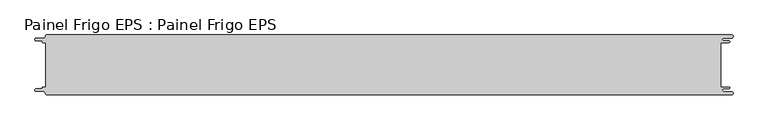
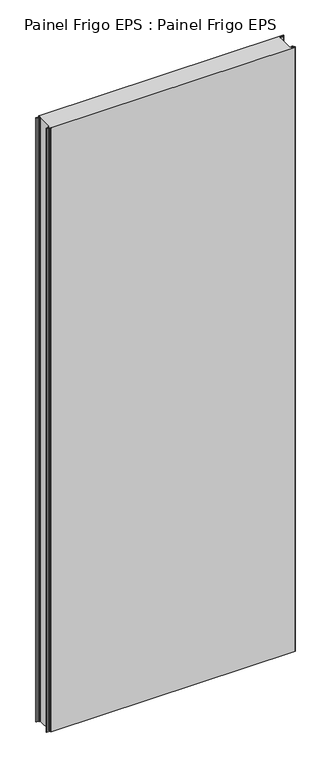
"""IFC4 building model written with IfcOpenShell, lengths in millimetres: proxy geometry, Painel Frigo EPS : Painel Frigo EPS."""

from ifc_helpers import new_model, si_unit, frame, origin, place, context, project, spatial, polyline, circle_curve, source, transform, mapped, element, save
from ifc_brep_helpers import plane_surface, cylinder_surface, revolved_surface, advanced_brep


def painel_frigo_eps_painel_frigo_eps_4f7a4c4a(model_context):
    return source(origin(), model_context, "Body", "AdvancedBrep", [
        advanced_brep(
        [(-579.5093748, 37.3, 3000.0), (-574.2218362, 37.3, 3000.0), (-574.2218362, -37.2999995, 3000.0), (-579.5093748, -37.2999995, 3000.0), (-580.1093753, -37.9, 3000.0), (-580.1093753, -38.7085185, 3000.0), (-581.5093753, -40.1085185, 3000.0), (-590.4875, -40.1085185, 3000.0), (-590.4875, -44.5085185, 3000.0), (-578.471875, -44.5085185, 3000.0), (-574.921875, -48.0585185, 3000.0), (-572.971875, -50.0, 3000.0), (572.284375, -50.0, 3000.0), (572.284375, -44.725, 3000.0), (559.378125, -44.725, 3000.0), (559.378125, -39.875, 3000.0), (568.0406253, -39.875, 3000.0), (568.0406253, -37.3, 3000.0), (554.1906253, -37.3, 3000.0), (554.1906253, 37.3, 3000.0), (568.0406253, 37.3, 3000.0), (568.0406253, 39.875, 3000.0), (559.378125, 39.875, 3000.0), (559.378125, 44.725, 3000.0), (572.284375, 44.725, 3000.0), (572.284375, 50.0, 3000.0), (-572.971875, 50.0, 3000.0), (-574.921875, 48.05, 3000.0), (-578.471875, 44.5085185, 3000.0), (-590.4875, 44.5085185, 3000.0), (-590.4875, 40.1085187, 3000.0), (-581.5093751, 40.1085187, 3000.0), (-580.1093748, 38.7085184, 3000.0), (-580.1093748, 37.9, 3000.0), (-579.5093748, 37.3, 0.0), (-580.1093748, 37.9, 0.0), (-580.1093748, 38.7085184, 0.0), (-581.5093751, 40.1085187, 0.0), (-590.4875, 40.1085187, 0.0), (-590.4875, 44.5085185, 0.0), (-578.471875, 44.5085185, 0.0), (-574.921875, 48.0585185, 0.0), (-572.971875, 50.0, 0.0), (572.284375, 50.0, 0.0), (572.284375, 44.725, 0.0), (559.378125, 44.725, 0.0), (559.378125, 39.875, 0.0), (568.0406253, 39.875, 0.0), (568.0406253, 37.3, 0.0), (554.1906253, 37.3, 0.0), (554.1906253, -37.3, 0.0), (568.0406253, -37.3, 0.0), (568.0406253, -39.875, 0.0), (559.378125, -39.875, 0.0), (559.378125, -44.725, 0.0), (572.284375, -44.725, 0.0), (572.284375, -50.0, 0.0), (-572.971875, -50.0, 0.0), (-574.921875, -48.05, 0.0), (-578.471875, -44.5085185, 0.0), (-590.4875, -44.5085185, 0.0), (-590.4875, -40.1085185, 0.0), (-581.5093753, -40.1085185, 0.0), (-580.1093753, -38.7085185, 0.0), (-580.1093753, -37.9, 0.0), (-579.5093748, -37.2999995, 0.0), (-574.2218362, -37.2999995, 0.0), (-574.2218362, 37.3, 0.0)],
        [
            (0, 1),
            (1, 2),
            (2, 3),
            (3, 4, circle_curve(frame((-579.5093748, -37.9, 3000.0), z_axis=(0.0, 0.0, 1.0), x_axis=(1.0, 0.0, 0.0)), 0.6000005)),
            (4, 5),
            (5, 6, circle_curve(frame((-581.5093753, -38.7085185, 3000.0), z_axis=(0.0, 0.0, -1.0), x_axis=(1.0, 0.0, 0.0)), 1.4)),
            (6, 7),
            (7, 8, circle_curve(frame((-590.4875, -42.3085185, 3000.0), z_axis=(0.0, 0.0, 1.0), x_axis=(1.0, 0.0, 0.0)), 2.2)),
            (8, 9),
            (9, 10, circle_curve(frame((-578.471875, -48.0585185, 3000.0), z_axis=(0.0, 0.0, -1.0), x_axis=(1.0, 0.0, 0.0)), 3.55)),
            (10, 11, circle_curve(frame((-572.971875, -48.05, 3000.0), z_axis=(0.0, 0.0, 1.0), x_axis=(1.0, 0.0, 0.0)), 1.95)),
            (11, 12),
            (12, 13, circle_curve(frame((572.284375, -47.3625, 3000.0), z_axis=(0.0, 0.0, 1.0), x_axis=(1.0, 0.0, 0.0)), 2.6375)),
            (13, 14),
            (14, 15, circle_curve(frame((559.378125, -42.3, 3000.0), z_axis=(0.0, 0.0, -1.0), x_axis=(1.0, 0.0, 0.0)), 2.425)),
            (15, 16),
            (16, 17, circle_curve(frame((568.0406253, -38.5875, 3000.0), z_axis=(0.0, 0.0, 1.0), x_axis=(1.0, 0.0, 0.0)), 1.2875)),
            (17, 18),
            (18, 19),
            (19, 20),
            (20, 21, circle_curve(frame((568.0406253, 38.5875, 3000.0), z_axis=(0.0, 0.0, 1.0), x_axis=(1.0, 0.0, 0.0)), 1.2875)),
            (21, 22),
            (22, 23, circle_curve(frame((559.378125, 42.3, 3000.0), z_axis=(0.0, 0.0, -1.0), x_axis=(1.0, 0.0, 0.0)), 2.425)),
            (23, 24),
            (24, 25, circle_curve(frame((572.284375, 47.3625, 3000.0), z_axis=(0.0, 0.0, 1.0), x_axis=(1.0, 0.0, 0.0)), 2.6375)),
            (25, 26),
            (26, 27, circle_curve(frame((-572.971875, 48.05, 3000.0), z_axis=(0.0, 0.0, 1.0), x_axis=(1.0, 0.0, 0.0)), 1.95)),
            (27, 28, circle_curve(frame((-578.471875, 48.0585185, 3000.0), z_axis=(0.0, 0.0, -1.0), x_axis=(1.0, 0.0, 0.0)), 3.55)),
            (28, 29),
            (29, 30, circle_curve(frame((-590.4875, 42.3085186, 3000.0), z_axis=(0.0, 0.0, 1.0), x_axis=(1.0, 0.0, 0.0)), 2.1999999)),
            (30, 31),
            (31, 32, circle_curve(frame((-581.5093751, 38.7085184, 3000.0), z_axis=(0.0, 0.0, -1.0), x_axis=(1.0, 0.0, 0.0)), 1.4000003)),
            (32, 33),
            (33, 0, circle_curve(frame((-579.5093748, 37.9, 3000.0), z_axis=(0.0, 0.0, 1.0), x_axis=(1.0, 0.0, 0.0)), 0.6)),
            (34, 35, circle_curve(frame((-579.5093748, 37.9, 0.0), z_axis=(0.0, 0.0, -1.0), x_axis=(1.0, 0.0, 0.0)), 0.6)),
            (35, 36),
            (36, 37, circle_curve(frame((-581.5093751, 38.7085184, 0.0), z_axis=(0.0, 0.0, 1.0), x_axis=(1.0, 0.0, 0.0)), 1.4000003)),
            (37, 38),
            (38, 39, circle_curve(frame((-590.4875, 42.3085186, 0.0), z_axis=(0.0, 0.0, -1.0), x_axis=(1.0, 0.0, 0.0)), 2.1999999)),
            (39, 40),
            (40, 41, circle_curve(frame((-578.471875, 48.0585185, 0.0), z_axis=(0.0, 0.0, 1.0), x_axis=(1.0, 0.0, 0.0)), 3.55)),
            (41, 42, circle_curve(frame((-572.971875, 48.05, 0.0), z_axis=(0.0, 0.0, -1.0), x_axis=(1.0, 0.0, 0.0)), 1.95)),
            (42, 43),
            (43, 44, circle_curve(frame((572.284375, 47.3625, 0.0), z_axis=(0.0, 0.0, -1.0), x_axis=(1.0, 0.0, 0.0)), 2.6375)),
            (44, 45),
            (45, 46, circle_curve(frame((559.378125, 42.3, 0.0), z_axis=(0.0, 0.0, 1.0), x_axis=(1.0, 0.0, 0.0)), 2.425)),
            (46, 47),
            (47, 48, circle_curve(frame((568.0406253, 38.5875, 0.0), z_axis=(0.0, 0.0, -1.0), x_axis=(1.0, 0.0, 0.0)), 1.2875)),
            (48, 49),
            (49, 50),
            (50, 51),
            (51, 52, circle_curve(frame((568.0406253, -38.5875, 0.0), z_axis=(0.0, 0.0, -1.0), x_axis=(1.0, 0.0, 0.0)), 1.2875)),
            (52, 53),
            (53, 54, circle_curve(frame((559.378125, -42.3, 0.0), z_axis=(0.0, 0.0, 1.0), x_axis=(1.0, 0.0, 0.0)), 2.425)),
            (54, 55),
            (55, 56, circle_curve(frame((572.284375, -47.3625, 0.0), z_axis=(0.0, 0.0, -1.0), x_axis=(1.0, 0.0, 0.0)), 2.6375)),
            (56, 57),
            (57, 58, circle_curve(frame((-572.971875, -48.05, 0.0), z_axis=(0.0, 0.0, -1.0), x_axis=(1.0, 0.0, 0.0)), 1.95)),
            (58, 59, circle_curve(frame((-578.471875, -48.0585185, 0.0), z_axis=(0.0, 0.0, 1.0), x_axis=(1.0, 0.0, 0.0)), 3.55)),
            (59, 60),
            (60, 61, circle_curve(frame((-590.4875, -42.3085185, 0.0), z_axis=(0.0, 0.0, -1.0), x_axis=(1.0, 0.0, 0.0)), 2.2)),
            (61, 62),
            (62, 63, circle_curve(frame((-581.5093753, -38.7085185, 0.0), z_axis=(0.0, 0.0, 1.0), x_axis=(1.0, 0.0, 0.0)), 1.4)),
            (63, 64),
            (64, 65, circle_curve(frame((-579.5093748, -37.9, 0.0), z_axis=(0.0, 0.0, -1.0), x_axis=(1.0, 0.0, 0.0)), 0.6000005)),
            (65, 66),
            (66, 67),
            (67, 34),
            (11, 57),
            (56, 12),
            (25, 43),
            (42, 26),
            (0, 34),
            (67, 1),
            (66, 2),
            (65, 3),
            (64, 4),
            (63, 5),
            (62, 6),
            (61, 7),
            (60, 8),
            (59, 9),
            (58, 10),
            (18, 50),
            (49, 19),
            (48, 20),
            (47, 21),
            (46, 22),
            (45, 23),
            (44, 24),
            (41, 27),
            (40, 28),
            (39, 29),
            (38, 30),
            (37, 31),
            (36, 32),
            (35, 33),
            (55, 13),
            (54, 14),
            (53, 15),
            (52, 16),
            (51, 17),
        ],
        [
            plane_surface(frame((-574.2218362, 37.3, 3000.0), z_axis=(0.0, 0.0, 1.0), x_axis=(1.0, 0.0, 0.0))),
            plane_surface(frame((-574.2218362, 37.3, 0.0), z_axis=(0.0, 0.0, -1.0), x_axis=(-1.0, 0.0, 0.0))),
            plane_surface(frame((-572.971875, -50.0, 3000.0), z_axis=(0.0, -1.0, 0.0), x_axis=(0.0, 0.0, -1.0))),
            plane_surface(frame((572.284375, 50.0, 3000.0), z_axis=(0.0, 1.0, 0.0), x_axis=(0.0, 0.0, -1.0))),
            plane_surface(frame((-579.5093748, 37.3, 3000.0), z_axis=(0.0, -1.0, 0.0), x_axis=(0.0, 0.0, -1.0))),
            plane_surface(frame((-574.2218362, 37.3, 3000.0), z_axis=(-1.0, 0.0, 0.0), x_axis=(0.0, 0.0, -1.0))),
            plane_surface(frame((-574.2218362, -37.2999995, 3000.0), z_axis=(0.0, 1.0, 0.0), x_axis=(0.0, 0.0, -1.0))),
            cylinder_surface(frame((-579.5093748, -37.9, 0.0), z_axis=(0.0, 0.0, 1.0), x_axis=(1.0, 0.0, 0.0)), 0.6000005),
            plane_surface(frame((-580.1093753, -37.9, 3000.0), z_axis=(-1.0, 1.7578608662328141e-12, 0.0), x_axis=(0.0, 0.0, -1.0))),
            revolved_surface(polyline([(-580.1093753, -38.7085185, 0.0), (-580.1093753, -38.7085185, 3000.0)]), (-581.5093753, -38.7085185, 0.0), (0.0, 0.0, -1.0)),
            plane_surface(frame((-581.5093753, -40.1085185, 3000.0), z_axis=(0.0, 1.0, 0.0), x_axis=(0.0, 0.0, -1.0))),
            cylinder_surface(frame((-590.4875, -42.3085185, 0.0), z_axis=(0.0, 0.0, 1.0), x_axis=(1.0, 0.0, 0.0)), 2.2),
            plane_surface(frame((-590.4875, -44.5085185, 3000.0), z_axis=(0.0, -1.0, 0.0), x_axis=(0.0, 0.0, -1.0))),
            revolved_surface(polyline([(-574.921875, -48.0585185, 0.0), (-574.921875, -48.0585185, 3000.0)]), (-578.471875, -48.0585185, 0.0), (0.0, 0.0, -1.0)),
            cylinder_surface(frame((-572.971875, -48.05, 0.0), z_axis=(0.0, 0.0, 1.0), x_axis=(1.0, 0.0, 0.0)), 1.95),
            plane_surface(frame((554.1906253, -37.3, 3000.0), z_axis=(1.0, 0.0, 0.0), x_axis=(0.0, 0.0, -1.0))),
            plane_surface(frame((554.1906253, 37.3, 3000.0), z_axis=(0.0, -1.0, 0.0), x_axis=(0.0, 0.0, -1.0))),
            cylinder_surface(frame((568.0406253, 38.5875, 0.0), z_axis=(0.0, 0.0, 1.0), x_axis=(1.0, 0.0, 0.0)), 1.2875),
            plane_surface(frame((568.0406253, 39.875, 3000.0), z_axis=(0.0, 1.0, 0.0), x_axis=(0.0, 0.0, -1.0))),
            revolved_surface(polyline([(561.8031249999999, 42.3, 0.0), (561.8031249999999, 42.3, 3000.0)]), (559.378125, 42.3, 0.0), (0.0, 0.0, -1.0)),
            plane_surface(frame((559.378125, 44.725, 3000.0), z_axis=(0.0, -1.0, 0.0), x_axis=(0.0, 0.0, -1.0))),
            cylinder_surface(frame((572.284375, 47.3625, 0.0), z_axis=(0.0, 0.0, 1.0), x_axis=(1.0, 0.0, 0.0)), 2.6375),
            cylinder_surface(frame((-572.971875, 48.05, 0.0), z_axis=(0.0, 0.0, 1.0), x_axis=(1.0, 0.0, 0.0)), 1.95),
            revolved_surface(polyline([(-574.921875, 48.0585185, 0.0), (-574.921875, 48.0585185, 3000.0)]), (-578.471875, 48.0585185, 0.0), (0.0, 0.0, -1.0)),
            plane_surface(frame((-578.471875, 44.5085185, 3000.0), z_axis=(0.0, 1.0, 0.0), x_axis=(0.0, 0.0, -1.0))),
            cylinder_surface(frame((-590.4875, 42.3085186, 0.0), z_axis=(0.0, 0.0, 1.0), x_axis=(1.0, 0.0, 0.0)), 2.1999999),
            plane_surface(frame((-590.4875, 40.1085187, 3000.0), z_axis=(0.0, -1.0, 0.0), x_axis=(0.0, 0.0, -1.0))),
            revolved_surface(polyline([(-580.1093748000001, 38.7085184, 0.0), (-580.1093748000001, 38.7085184, 3000.0)]), (-581.5093751, 38.7085184, 0.0), (0.0, 0.0, -1.0)),
            plane_surface(frame((-580.1093748, 38.7085184, 3000.0), z_axis=(-1.0, 0.0, 0.0), x_axis=(0.0, 0.0, -1.0))),
            cylinder_surface(frame((-579.5093748, 37.9, 0.0), z_axis=(0.0, 0.0, 1.0), x_axis=(1.0, 0.0, 0.0)), 0.6),
            cylinder_surface(frame((572.284375, -47.3625, 0.0), z_axis=(0.0, 0.0, 1.0), x_axis=(1.0, 0.0, 0.0)), 2.6375),
            plane_surface(frame((572.284375, -44.725, 3000.0), z_axis=(0.0, 1.0, 0.0), x_axis=(0.0, 0.0, -1.0))),
            revolved_surface(polyline([(561.8031249999999, -42.3, 0.0), (561.8031249999999, -42.3, 3000.0)]), (559.378125, -42.3, 0.0), (0.0, 0.0, -1.0)),
            plane_surface(frame((559.378125, -39.875, 3000.0), z_axis=(0.0, -1.0, 0.0), x_axis=(0.0, 0.0, -1.0))),
            cylinder_surface(frame((568.0406253, -38.5875, 0.0), z_axis=(0.0, 0.0, 1.0), x_axis=(1.0, 0.0, 0.0)), 1.2875),
            plane_surface(frame((568.0406253, -37.3, 3000.0), z_axis=(0.0, 1.0, 0.0), x_axis=(0.0, 0.0, -1.0))),
        ],
        [
            (0, [[1, 2, 3, 4, 5, 6, 7, 8, 9, 10, 11, 12, 13, 14, 15, 16, 17, 18, 19, 20, 21, 22, 23, 24, 25, 26, 27, 28, 29, 30, 31, 32, 33, 34]]),
            (1, [[35, 36, 37, 38, 39, 40, 41, 42, 43, 44, 45, 46, 47, 48, 49, 50, 51, 52, 53, 54, 55, 56, 57, 58, 59, 60, 61, 62, 63, 64, 65, 66, 67, 68]]),
            (2, [[-12, 69, -57, 70]]),
            (3, [[-26, 71, -43, 72]]),
            (4, [[-1, 73, -68, 74]]),
            (5, [[-2, -74, -67, 75]]),
            (6, [[-3, -75, -66, 76]]),
            (7, [[-4, -76, -65, 77]]),
            (8, [[-5, -77, -64, 78]]),
            (9, [[-6, -78, -63, 79]]),
            (10, [[-7, -79, -62, 80]]),
            (11, [[-8, -80, -61, 81]]),
            (12, [[-9, -81, -60, 82]]),
            (13, [[-10, -82, -59, 83]]),
            (14, [[-11, -83, -58, -69]]),
            (15, [[-19, 84, -50, 85]]),
            (16, [[-20, -85, -49, 86]]),
            (17, [[-21, -86, -48, 87]]),
            (18, [[-22, -87, -47, 88]]),
            (19, [[-23, -88, -46, 89]]),
            (20, [[-24, -89, -45, 90]]),
            (21, [[-25, -90, -44, -71]]),
            (22, [[-27, -72, -42, 91]]),
            (23, [[-28, -91, -41, 92]]),
            (24, [[-29, -92, -40, 93]]),
            (25, [[-30, -93, -39, 94]]),
            (26, [[-31, -94, -38, 95]]),
            (27, [[-32, -95, -37, 96]]),
            (28, [[-33, -96, -36, 97]]),
            (29, [[-34, -97, -35, -73]]),
            (30, [[-13, -70, -56, 98]]),
            (31, [[-14, -98, -55, 99]]),
            (32, [[-15, -99, -54, 100]]),
            (33, [[-16, -100, -53, 101]]),
            (34, [[-17, -101, -52, 102]]),
            (35, [[-18, -102, -51, -84]]),
        ],
    ),
    ])


if __name__ == "__main__":
    model = new_model("IFC4")
    model_context = context("Model", 3, world=origin())
    ifc_project = project(units=[si_unit("LENGTHUNIT", "METRE", prefix="MILLI")], contexts=[model_context])
    site = spatial("IfcSite", under=ifc_project)
    building = spatial("IfcBuilding", under=site)
    placement = place(None, origin())
    painel_frigo_eps_painel_frigo_eps_shape = painel_frigo_eps_painel_frigo_eps_4f7a4c4a(model_context)
    element("IfcBuildingElementProxy", 1, Name="Painel Frigo EPS : Painel Frigo EPS", ObjectType="Painel Frigo EPS : Painel Frigo EPS", at=placement, inside=building, context=model_context, shape_type="MappedRepresentation", body=[
        mapped(painel_frigo_eps_painel_frigo_eps_shape, transform((0.0, 0.0, 0.0), x_axis=(1.0, 0.0, 0.0), y_axis=(0.0, 1.0, 0.0), z_axis=(0.0, 0.0, 1.0))),
    ])
    save(model, "model.ifc")
